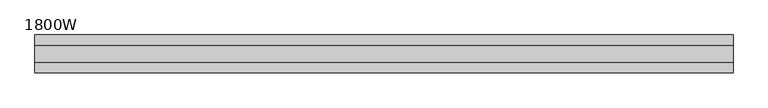
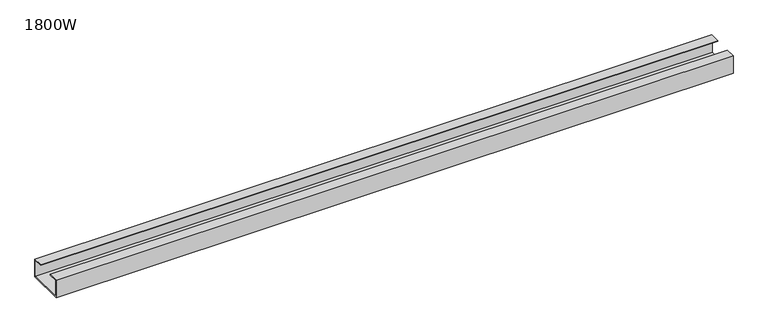
"""IFC4 building model written with IfcOpenShell, lengths in millimetres: furniture geometry, 1800W."""

from ifc_helpers import new_model, si_unit, frame, origin, place, context, project, spatial, polyline, outline, extrude, source, transform, mapped, element, save


def furniture_1800w_89c1e3b3(model_context):
    return source(origin(), model_context, "Body", "SweptSolid", [
        extrude(outline(polyline([(47.3, 667.0), (-47.3, 667.0), (-47.3, 715.0), (-22.0, 715.0), (-22.0, 713.0), (-45.3, 713.0), (-45.3, 669.0), (45.3, 669.0), (45.3, 713.0), (22.0, 713.0), (22.0, 715.0), (47.3, 715.0), (47.3, 667.0)])), frame((-875.0, 0.0, 0.0), z_axis=(1.0, 0.0, 0.0), x_axis=(0.0, 1.0, 0.0)), (0.0, 0.0, 1.0), 1750.0),
    ])


if __name__ == "__main__":
    model = new_model("IFC4")
    model_context = context("Model", 3, world=origin())
    ifc_project = project(units=[si_unit("LENGTHUNIT", "METRE", prefix="MILLI")], contexts=[model_context])
    site = spatial("IfcSite", under=ifc_project)
    building = spatial("IfcBuilding", under=site)
    placement = place(None, origin())
    furniture_1800w_shape = furniture_1800w_89c1e3b3(model_context)
    element("IfcFurniture", 1, ObjectType="1800W", at=placement, inside=building, context=model_context, shape_type="MappedRepresentation", body=[
        mapped(furniture_1800w_shape, transform((0.0, 0.0, 0.0), x_axis=(1.0, 0.0, 0.0), y_axis=(0.0, 1.0, 0.0), z_axis=(0.0, 0.0, 1.0))),
    ])
    save(model, "model.ifc")
